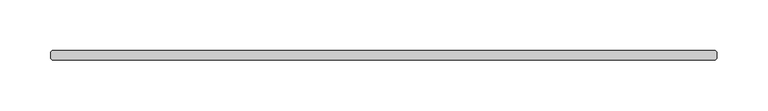
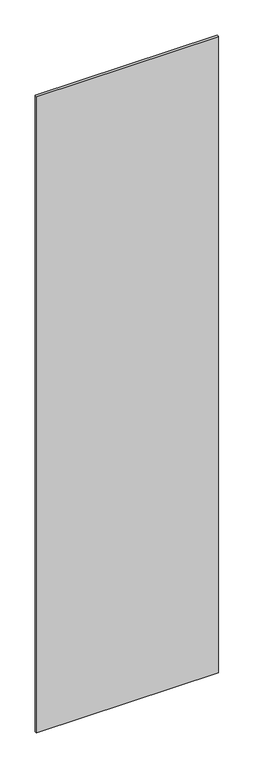
"""IFC4 building model written with IfcOpenShell, lengths in millimetres: plate geometry."""

import ifcopenshell
import ifcopenshell.guid

model = None  # the IFC model being written
_history = None  # IfcOwnerHistory: only IFC2X3 demands one
_inside = {}  # id of a spatial element -> (the spatial element, [elements in it])
_under = {}  # id of a project, library or spatial element -> (it, [spatial elements below it])
_declared = {}  # id of a project -> (the project, [libraries it declares])
_typed = {}  # id of a type object -> (the type object, [elements of that type])
_made_of = {}  # id of a material, layer set ... -> (it, [elements and type objects made of it])


def new_model(schema):
    """Start an empty IFC model of exactly this schema.

    Asked for "IFC4X3", IfcOpenShell would pick the latest addendum, in which some entities
    have other attributes; the version numbers below select the first issue.
    IFC2X3 requires an IfcOwnerHistory on every rooted entity: one is made here for all.
    """
    global model, _history
    if schema == "IFC4X3":
        model = ifcopenshell.file(schema_version=(4, 3, 0, 0))
    else:
        model = ifcopenshell.file(schema=schema)
    _inside.clear()
    _under.clear()
    _declared.clear()
    _typed.clear()
    _made_of.clear()
    _history = None
    if model.schema == "IFC2X3":
        org = make("IfcOrganization", Name="unknown")
        user = make(
            "IfcPersonAndOrganization",
            ThePerson=make("IfcPerson", FamilyName="unknown"),
            TheOrganization=org,
        )
        app = make(
            "IfcApplication",
            ApplicationDeveloper=org,
            Version="unknown",
            ApplicationFullName="unknown",
            ApplicationIdentifier="unknown",
        )
        _history = make(
            "IfcOwnerHistory",
            OwningUser=user,
            OwningApplication=app,
            ChangeAction="ADDED",
            CreationDate=0,
        )
    return model


def make(cls, **values):
    """One entity of the class cls with the attributes given. An attribute that is None is left unset."""
    return model.create_entity(
        cls, **{name: value for name, value in values.items() if value is not None}
    )


def rooted(cls, **values):
    """An entity with a GlobalId (a new one), such as an element, a storey or a relation."""
    return make(cls, GlobalId=ifcopenshell.guid.new(), OwnerHistory=_history, **values)


def si_unit(unit_type, name, prefix=None):
    """IfcSIUnit, for example si_unit("LENGTHUNIT", "METRE", prefix="MILLI")."""
    return make("IfcSIUnit", UnitType=unit_type, Prefix=prefix, Name=name)


def assignment(units):
    """IfcUnitAssignment: the units of a project."""
    return None if units is None else make("IfcUnitAssignment", Units=units)


def point(xyz):
    """IfcCartesianPoint."""
    return None if xyz is None else make("IfcCartesianPoint", Coordinates=xyz)


def direction(xyz):
    """IfcDirection."""
    return None if xyz is None else make("IfcDirection", DirectionRatios=xyz)


def frame(location, z_axis=None, x_axis=None):
    """IfcAxis2Placement3D, a coordinate frame: its origin and axes. An axis left out is left unset."""
    return make(
        "IfcAxis2Placement3D",
        Location=point(location),
        Axis=direction(z_axis),
        RefDirection=direction(x_axis),
    )


def origin():
    """The frame at (0, 0, 0) with its axes left unset."""
    return frame((0.0, 0.0, 0.0))


def origin_with_axes():
    """The frame at (0, 0, 0) with the z axis (0, 0, 1) and the x axis (1, 0, 0) written out."""
    return frame((0.0, 0.0, 0.0), z_axis=(0.0, 0.0, 1.0), x_axis=(1.0, 0.0, 0.0))


def place(relative_to, where):
    """IfcLocalPlacement: puts the frame where relative to a parent placement (None: the world)."""
    return make(
        "IfcLocalPlacement", PlacementRelTo=relative_to, RelativePlacement=where
    )


def context(
    kind, dimensions, precision=None, world=None, true_north=None, identifier=None
):
    """IfcGeometricRepresentationContext, for example the 3D "Model" context."""
    return make(
        "IfcGeometricRepresentationContext",
        ContextIdentifier=identifier,
        ContextType=kind,
        CoordinateSpaceDimension=dimensions,
        Precision=precision,
        WorldCoordinateSystem=world,
        TrueNorth=true_north,
    )


def project(units=None, contexts=None):
    """IfcProject with its units and contexts."""
    return rooted(
        "IfcProject",
        Name="project",
        RepresentationContexts=contexts,
        UnitsInContext=assignment(units),
    )


def spatial(cls, under=None, at=None, **own):
    """A site, building, storey or space (cls), placed at a placement, below another one or the project."""
    s = rooted(cls, ObjectPlacement=at, **own)
    if under is not None:
        _under.setdefault(under.id(), (under, []))[1].append(s)
    return s


def polyline(points):
    """IfcPolyline through the points."""
    return make("IfcPolyline", Points=[point(p) for p in points])


def outline(outer, holes=None, kind="AREA"):
    """IfcArbitraryClosedProfileDef: a profile drawn as a closed curve; with holes, ...WithVoids."""
    if holes is None:
        return make("IfcArbitraryClosedProfileDef", ProfileType=kind, OuterCurve=outer)
    return make(
        "IfcArbitraryProfileDefWithVoids",
        ProfileType=kind,
        OuterCurve=outer,
        InnerCurves=holes,
    )


def extrude(swept, where, along, depth):
    """IfcExtrudedAreaSolid: the profile swept, set in the frame where, extruded along a direction by depth."""
    return make(
        "IfcExtrudedAreaSolid",
        SweptArea=swept,
        Position=where,
        ExtrudedDirection=direction(along),
        Depth=depth,
    )


def shape(context_of_items, identifier, shape_type, items):
    """IfcShapeRepresentation: the items that make up one representation, for example the "Body"."""
    return make(
        "IfcShapeRepresentation",
        ContextOfItems=context_of_items,
        RepresentationIdentifier=identifier,
        RepresentationType=shape_type,
        Items=items,
    )


def source(mapping_origin, context_of_items, identifier, shape_type, items):
    """IfcRepresentationMap: a shape defined once, which mapped items show again and again."""
    return make(
        "IfcRepresentationMap",
        MappingOrigin=mapping_origin,
        MappedRepresentation=shape(context_of_items, identifier, shape_type, items),
    )


def transform(
    local_origin,
    x_axis=None,
    y_axis=None,
    z_axis=None,
    scale=None,
    scale2=None,
    scale3=None,
    uniform=True,
):
    """IfcCartesianTransformationOperator3D, or its non-uniform kind. x_axis, y_axis, z_axis: its Axis1, 2, 3."""
    if uniform:
        return make(
            "IfcCartesianTransformationOperator3D",
            Axis1=direction(x_axis),
            Axis2=direction(y_axis),
            LocalOrigin=point(local_origin),
            Scale=scale,
            Axis3=direction(z_axis),
        )
    return make(
        "IfcCartesianTransformationOperator3DnonUniform",
        Axis1=direction(x_axis),
        Axis2=direction(y_axis),
        LocalOrigin=point(local_origin),
        Scale=scale,
        Axis3=direction(z_axis),
        Scale2=scale2,
        Scale3=scale3,
    )


def mapped(mapping_source, mapping_target):
    """IfcMappedItem: shows the shape of a source again, moved by a transform."""
    return make(
        "IfcMappedItem", MappingSource=mapping_source, MappingTarget=mapping_target
    )


def made_of(thing, what):
    """Note that an element or type object is made of a material, layer set ...; save() writes the relation."""
    if what is not None:
        _made_of.setdefault(what.id(), (what, []))[1].append(thing)
    return thing


def element(
    cls,
    number,
    at=None,
    inside=None,
    cuts=None,
    type_object=None,
    material=None,
    context=None,
    identifier="Body",
    shape_type=None,
    held_by="IfcProductDefinitionShape",
    body=None,
    shapes=None,
    **own,
):
    """One element of the class cls, such as IfcWall. Its Tag is "e" and its number.

    at: its placement. inside: the storey or other place that contains it. cuts: it is an
    opening in that element (IfcRelVoidsElement). A single representation is given by context,
    identifier, shape_type and body (its items); several are given by shapes. held_by: the class
    of the entity that holds the representations. save() writes the other relations.
    """
    e = rooted(cls, Tag="e%d" % number, ObjectPlacement=at, **own)
    if body is not None:
        shapes = [shape(context, identifier, shape_type, body)]
    if shapes is not None:
        e.Representation = make(held_by, Representations=shapes)
    if inside is not None:
        _inside.setdefault(inside.id(), (inside, []))[1].append(e)
    if cuts is not None:
        rooted(
            "IfcRelVoidsElement", RelatingBuildingElement=cuts, RelatedOpeningElement=e
        )
    if type_object is not None:
        _typed.setdefault(type_object.id(), (type_object, []))[1].append(e)
    return made_of(e, material)


def aggregate(whole, parts):
    """IfcRelAggregates: a whole, such as a stair, and the parts it consists of."""
    return rooted("IfcRelAggregates", RelatingObject=whole, RelatedObjects=parts)


def save(model, path):
    """Write the relations noted so far, then the file.

    IfcRelAggregates (storeys below a building ...), IfcRelContainedInSpatialStructure (elements
    in a storey), IfcRelDefinesByType, IfcRelAssociatesMaterial and IfcRelDeclares: one each for
    every whole, place, type object, material and project.
    """
    for whole, parts in _under.values():
        aggregate(whole, parts)
    for where, things in _inside.values():
        rooted(
            "IfcRelContainedInSpatialStructure",
            RelatedElements=things,
            RelatingStructure=where,
        )
    for kind, things in _typed.values():
        rooted("IfcRelDefinesByType", RelatedObjects=things, RelatingType=kind)
    for what, things in _made_of.values():
        rooted("IfcRelAssociatesMaterial", RelatedObjects=things, RelatingMaterial=what)
    for by, libraries in _declared.values():
        rooted("IfcRelDeclares", RelatingContext=by, RelatedDefinitions=libraries)
    model.write(path)


def plate_bf62ba9f(model_context):
    return source(origin(), model_context, "Body", "SweptSolid", [
        extrude(outline(polyline([(340.915625, -4.7625), (-315.515625, -4.7625), (-317.103125, -3.175), (-317.103125, 3.175), (-315.515625, 4.7625), (340.915625, 4.7625), (342.503125, 3.175), (342.503125, -3.175), (340.915625, -4.7625)])), origin_with_axes(), (0.0, 0.0, 1.0), 2427.1914267),
    ])


if __name__ == "__main__":
    model = new_model("IFC4")
    model_context = context("Model", 3, world=origin())
    ifc_project = project(units=[si_unit("LENGTHUNIT", "METRE", prefix="MILLI")], contexts=[model_context])
    site = spatial("IfcSite", under=ifc_project)
    building = spatial("IfcBuilding", under=site)
    placement = place(None, origin())
    plate_shape = plate_bf62ba9f(model_context)
    element("IfcPlate", 1, at=placement, inside=building, context=model_context, shape_type="MappedRepresentation", body=[
        mapped(plate_shape, transform((0.0, 0.0, 0.0), x_axis=(1.0, 0.0, 0.0), y_axis=(0.0, 1.0, 0.0), z_axis=(0.0, 0.0, 1.0))),
    ])
    save(model, "model.ifc")
